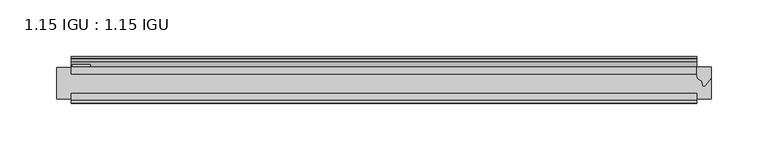
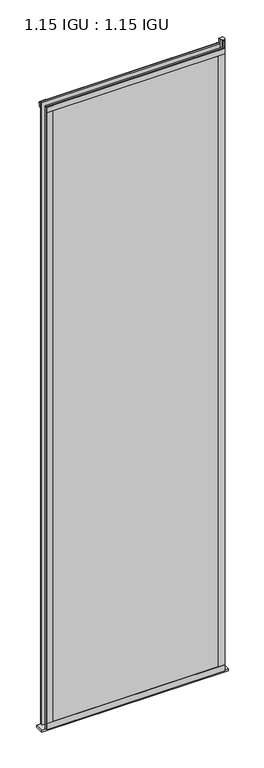
"""IFC4 building model written with IfcOpenShell, lengths in millimetres: plate geometry, 1.15 IGU : 1.15 IGU."""

import ifcopenshell
import ifcopenshell.guid

model = None  # the IFC model being written
_history = None  # IfcOwnerHistory: only IFC2X3 demands one
_inside = {}  # id of a spatial element -> (the spatial element, [elements in it])
_under = {}  # id of a project, library or spatial element -> (it, [spatial elements below it])
_declared = {}  # id of a project -> (the project, [libraries it declares])
_typed = {}  # id of a type object -> (the type object, [elements of that type])
_made_of = {}  # id of a material, layer set ... -> (it, [elements and type objects made of it])


def new_model(schema):
    """Start an empty IFC model of exactly this schema.

    Asked for "IFC4X3", IfcOpenShell would pick the latest addendum, in which some entities
    have other attributes; the version numbers below select the first issue.
    IFC2X3 requires an IfcOwnerHistory on every rooted entity: one is made here for all.
    """
    global model, _history
    if schema == "IFC4X3":
        model = ifcopenshell.file(schema_version=(4, 3, 0, 0))
    else:
        model = ifcopenshell.file(schema=schema)
    _inside.clear()
    _under.clear()
    _declared.clear()
    _typed.clear()
    _made_of.clear()
    _history = None
    if model.schema == "IFC2X3":
        org = make("IfcOrganization", Name="unknown")
        user = make(
            "IfcPersonAndOrganization",
            ThePerson=make("IfcPerson", FamilyName="unknown"),
            TheOrganization=org,
        )
        app = make(
            "IfcApplication",
            ApplicationDeveloper=org,
            Version="unknown",
            ApplicationFullName="unknown",
            ApplicationIdentifier="unknown",
        )
        _history = make(
            "IfcOwnerHistory",
            OwningUser=user,
            OwningApplication=app,
            ChangeAction="ADDED",
            CreationDate=0,
        )
    return model


def make(cls, **values):
    """One entity of the class cls with the attributes given. An attribute that is None is left unset."""
    return model.create_entity(
        cls, **{name: value for name, value in values.items() if value is not None}
    )


def rooted(cls, **values):
    """An entity with a GlobalId (a new one), such as an element, a storey or a relation."""
    return make(cls, GlobalId=ifcopenshell.guid.new(), OwnerHistory=_history, **values)


def si_unit(unit_type, name, prefix=None):
    """IfcSIUnit, for example si_unit("LENGTHUNIT", "METRE", prefix="MILLI")."""
    return make("IfcSIUnit", UnitType=unit_type, Prefix=prefix, Name=name)


def assignment(units):
    """IfcUnitAssignment: the units of a project."""
    return None if units is None else make("IfcUnitAssignment", Units=units)


def point(xyz):
    """IfcCartesianPoint."""
    return None if xyz is None else make("IfcCartesianPoint", Coordinates=xyz)


def direction(xyz):
    """IfcDirection."""
    return None if xyz is None else make("IfcDirection", DirectionRatios=xyz)


def frame(location, z_axis=None, x_axis=None):
    """IfcAxis2Placement3D, a coordinate frame: its origin and axes. An axis left out is left unset."""
    return make(
        "IfcAxis2Placement3D",
        Location=point(location),
        Axis=direction(z_axis),
        RefDirection=direction(x_axis),
    )


def frame_2d(location, x_axis=None):
    """IfcAxis2Placement2D, a coordinate frame in the plane: its origin and x axis."""
    return make(
        "IfcAxis2Placement2D", Location=point(location), RefDirection=direction(x_axis)
    )


def origin():
    """The frame at (0, 0, 0) with its axes left unset."""
    return frame((0.0, 0.0, 0.0))


def place(relative_to, where):
    """IfcLocalPlacement: puts the frame where relative to a parent placement (None: the world)."""
    return make(
        "IfcLocalPlacement", PlacementRelTo=relative_to, RelativePlacement=where
    )


def context(
    kind, dimensions, precision=None, world=None, true_north=None, identifier=None
):
    """IfcGeometricRepresentationContext, for example the 3D "Model" context."""
    return make(
        "IfcGeometricRepresentationContext",
        ContextIdentifier=identifier,
        ContextType=kind,
        CoordinateSpaceDimension=dimensions,
        Precision=precision,
        WorldCoordinateSystem=world,
        TrueNorth=true_north,
    )


def project(units=None, contexts=None):
    """IfcProject with its units and contexts."""
    return rooted(
        "IfcProject",
        Name="project",
        RepresentationContexts=contexts,
        UnitsInContext=assignment(units),
    )


def spatial(cls, under=None, at=None, **own):
    """A site, building, storey or space (cls), placed at a placement, below another one or the project."""
    s = rooted(cls, ObjectPlacement=at, **own)
    if under is not None:
        _under.setdefault(under.id(), (under, []))[1].append(s)
    return s


def polyline(points):
    """IfcPolyline through the points."""
    return make("IfcPolyline", Points=[point(p) for p in points])


def circle_curve(where, radius):
    """IfcCircle in the frame where."""
    return make("IfcCircle", Position=where, Radius=radius)


def trimmed(basis, trim1, trim2, sense, master):
    """IfcTrimmedCurve: the piece of a basis curve between two trims."""
    return make(
        "IfcTrimmedCurve",
        BasisCurve=basis,
        Trim1=trim1,
        Trim2=trim2,
        SenseAgreement=sense,
        MasterRepresentation=master,
    )


def segment(curve, same_sense, transition):
    """IfcCompositeCurveSegment."""
    return make(
        "IfcCompositeCurveSegment",
        Transition=transition,
        SameSense=same_sense,
        ParentCurve=curve,
    )


def composite_curve(segments, self_intersect=None):
    """IfcCompositeCurve: segments joined end to end."""
    return make("IfcCompositeCurve", Segments=segments, SelfIntersect=self_intersect)


def outline(outer, holes=None, kind="AREA"):
    """IfcArbitraryClosedProfileDef: a profile drawn as a closed curve; with holes, ...WithVoids."""
    if holes is None:
        return make("IfcArbitraryClosedProfileDef", ProfileType=kind, OuterCurve=outer)
    return make(
        "IfcArbitraryProfileDefWithVoids",
        ProfileType=kind,
        OuterCurve=outer,
        InnerCurves=holes,
    )


def extrude(swept, where, along, depth):
    """IfcExtrudedAreaSolid: the profile swept, set in the frame where, extruded along a direction by depth."""
    return make(
        "IfcExtrudedAreaSolid",
        SweptArea=swept,
        Position=where,
        ExtrudedDirection=direction(along),
        Depth=depth,
    )


def shape(context_of_items, identifier, shape_type, items):
    """IfcShapeRepresentation: the items that make up one representation, for example the "Body"."""
    return make(
        "IfcShapeRepresentation",
        ContextOfItems=context_of_items,
        RepresentationIdentifier=identifier,
        RepresentationType=shape_type,
        Items=items,
    )


def source(mapping_origin, context_of_items, identifier, shape_type, items):
    """IfcRepresentationMap: a shape defined once, which mapped items show again and again."""
    return make(
        "IfcRepresentationMap",
        MappingOrigin=mapping_origin,
        MappedRepresentation=shape(context_of_items, identifier, shape_type, items),
    )


def transform(
    local_origin,
    x_axis=None,
    y_axis=None,
    z_axis=None,
    scale=None,
    scale2=None,
    scale3=None,
    uniform=True,
):
    """IfcCartesianTransformationOperator3D, or its non-uniform kind. x_axis, y_axis, z_axis: its Axis1, 2, 3."""
    if uniform:
        return make(
            "IfcCartesianTransformationOperator3D",
            Axis1=direction(x_axis),
            Axis2=direction(y_axis),
            LocalOrigin=point(local_origin),
            Scale=scale,
            Axis3=direction(z_axis),
        )
    return make(
        "IfcCartesianTransformationOperator3DnonUniform",
        Axis1=direction(x_axis),
        Axis2=direction(y_axis),
        LocalOrigin=point(local_origin),
        Scale=scale,
        Axis3=direction(z_axis),
        Scale2=scale2,
        Scale3=scale3,
    )


def mapped(mapping_source, mapping_target):
    """IfcMappedItem: shows the shape of a source again, moved by a transform."""
    return make(
        "IfcMappedItem", MappingSource=mapping_source, MappingTarget=mapping_target
    )


def made_of(thing, what):
    """Note that an element or type object is made of a material, layer set ...; save() writes the relation."""
    if what is not None:
        _made_of.setdefault(what.id(), (what, []))[1].append(thing)
    return thing


def element(
    cls,
    number,
    at=None,
    inside=None,
    cuts=None,
    type_object=None,
    material=None,
    context=None,
    identifier="Body",
    shape_type=None,
    held_by="IfcProductDefinitionShape",
    body=None,
    shapes=None,
    **own,
):
    """One element of the class cls, such as IfcWall. Its Tag is "e" and its number.

    at: its placement. inside: the storey or other place that contains it. cuts: it is an
    opening in that element (IfcRelVoidsElement). A single representation is given by context,
    identifier, shape_type and body (its items); several are given by shapes. held_by: the class
    of the entity that holds the representations. save() writes the other relations.
    """
    e = rooted(cls, Tag="e%d" % number, ObjectPlacement=at, **own)
    if body is not None:
        shapes = [shape(context, identifier, shape_type, body)]
    if shapes is not None:
        e.Representation = make(held_by, Representations=shapes)
    if inside is not None:
        _inside.setdefault(inside.id(), (inside, []))[1].append(e)
    if cuts is not None:
        rooted(
            "IfcRelVoidsElement", RelatingBuildingElement=cuts, RelatedOpeningElement=e
        )
    if type_object is not None:
        _typed.setdefault(type_object.id(), (type_object, []))[1].append(e)
    return made_of(e, material)


def aggregate(whole, parts):
    """IfcRelAggregates: a whole, such as a stair, and the parts it consists of."""
    return rooted("IfcRelAggregates", RelatingObject=whole, RelatedObjects=parts)


def save(model, path):
    """Write the relations noted so far, then the file.

    IfcRelAggregates (storeys below a building ...), IfcRelContainedInSpatialStructure (elements
    in a storey), IfcRelDefinesByType, IfcRelAssociatesMaterial and IfcRelDeclares: one each for
    every whole, place, type object, material and project.
    """
    for whole, parts in _under.values():
        aggregate(whole, parts)
    for where, things in _inside.values():
        rooted(
            "IfcRelContainedInSpatialStructure",
            RelatedElements=things,
            RelatingStructure=where,
        )
    for kind, things in _typed.values():
        rooted("IfcRelDefinesByType", RelatedObjects=things, RelatingType=kind)
    for what, things in _made_of.values():
        rooted("IfcRelAssociatesMaterial", RelatedObjects=things, RelatingMaterial=what)
    for by, libraries in _declared.values():
        rooted("IfcRelDeclares", RelatingContext=by, RelatedDefinitions=libraries)
    model.write(path)


def plate_1_15_igu_1_15_igu_e0aab380(model_context):
    return source(origin(), model_context, "Body", "SweptSolid", [
        extrude(outline(polyline([(276.2170252, 0.0), (276.2170252, -6.2992), (-276.2170252, -6.2992), (-276.2170252, 0.0), (276.2170252, 0.0)])), frame((0.0, 0.0, -19.05), z_axis=(0.0, 0.0, 1.0), x_axis=(1.0, 0.0, 0.0)), (0.0, 0.0, 1.0), 2036.7498001),
        extrude(outline(polyline([(-276.2170252, -23.1648), (276.2170252, -23.1648), (276.2170252, -29.464), (-276.2170252, -29.464), (-276.2170252, -23.1648)])), frame((0.0, 0.0, -19.05), z_axis=(0.0, 0.0, 1.0), x_axis=(1.0, 0.0, 0.0)), (0.0, 0.0, 1.0), 2036.7498001),
        extrude(outline(composite_curve([segment(trimmed(circle_curve(frame_2d((10.9021792, -22.6833935)), 11.4916952), [point((0.0, -19.05))], [point((-0.2638007, -25.4))], True, "CARTESIAN"), True, "CONTINUOUS"), segment(polyline([(-0.2638007, -25.4), (-27.9952564, -25.4), (-27.9952564, -19.05), (0.0, -19.05)]), True, "CONTINUOUS")], self_intersect=False)), frame((-288.9170252, 0.0, 0.0), z_axis=(1.0, 0.0, 0.0), x_axis=(0.0, 1.0, 0.0)), (0.0, 0.0, 1.0), 577.8340504),
        extrude(outline(composite_curve([segment(polyline([(288.9170252, 0.0), (288.9170252, -9.7395025), (283.3507943, -16.3730781)]), True, "CONTINUOUS"), segment(trimmed(circle_curve(frame_2d((282.3971193, -15.7728374)), 1.1268473), [point((283.3507943, -16.3730781))], [point((281.2961664, -16.0130197))], False, "CARTESIAN"), True, "CONTINUOUS"), segment(polyline([(281.2961664, -16.0130197), (280.3159749, -11.7377885)]), True, "CONTINUOUS"), segment(trimmed(circle_curve(frame_2d((280.1885231, -7.7683362)), 3.9714979), [point((280.3159749, -11.7377885))], [point((276.2172038, -7.8060014))], False, "CARTESIAN"), True, "CONTINUOUS"), segment(polyline([(276.2172038, -7.8060014), (276.2172038, 0.0), (288.9170252, 0.0)]), True, "CONTINUOUS")], self_intersect=False)), frame((0.0, 0.0, -19.05), z_axis=(0.0, 0.0, 1.0), x_axis=(1.0, 0.0, 0.0)), (0.0, 0.0, 1.0), 2051.8374001),
        extrude(outline(polyline([(-276.2170252, -31.75), (-276.2170252, -29.464), (276.2170252, -29.464), (276.2170252, -31.75), (-276.2170252, -31.75)])), frame((0.0, 0.0, -19.05), z_axis=(0.0, 0.0, 1.0), x_axis=(1.0, 0.0, 0.0)), (0.0, 0.0, 1.0), 19.05),
        extrude(outline(composite_curve([segment(trimmed(circle_curve(frame_2d((-23.3689302, 2041.8664901)), 40.3187601), [point((0.0, 2009.0108131))], [point((4.9746073, 2013.1916528))], True, "CARTESIAN"), True, "CONTINUOUS"), segment(trimmed(circle_curve(frame_2d((5.8674, 2012.2884246)), 1.27), [point((4.9746073, 2013.1916528))], [point((7.1374, 2012.2884246))], False, "CARTESIAN"), True, "CONTINUOUS"), segment(polyline([(7.1374, 2012.2884246), (7.1374, 2007.8876169), (7.7309478, 2005.6724663), (6.35, 2005.4379789), (6.35, 2000.2500001), (9.3980339, 2000.2500001), (9.3980339, 1998.8684051)]), True, "CONTINUOUS"), segment(trimmed(circle_curve(frame_2d((13.6593785, 1967.8551528)), 31.3046461), [point((9.3980339, 1998.8684051))], [point((0.0, 1996.0225498))], True, "CARTESIAN"), True, "CONTINUOUS"), segment(polyline([(0.0, 1996.0225498), (0.0, 2009.0108131)]), True, "CONTINUOUS")], self_intersect=False)), frame((-276.2170252, 0.0, 0.0), z_axis=(1.0, 0.0, 0.0), x_axis=(0.0, 1.0, 0.0)), (0.0, 0.0, 1.0), 552.4340504),
        extrude(outline(polyline([(-276.2170252, -31.75), (-276.2170252, -29.464), (276.2170252, -29.464), (276.2170252, -31.75), (-276.2170252, -31.75)])), frame((0.0, 0.0, 2000.2500001), z_axis=(0.0, 0.0, 1.0), x_axis=(1.0, 0.0, 0.0)), (0.0, 0.0, 1.0), 19.05),
        extrude(outline(polyline([(257.1670252, -29.464), (276.2170252, -29.464), (276.2170252, -31.75), (257.1670252, -31.75), (257.1670252, -29.464)])), frame((0.0, 0.0, -19.05), z_axis=(0.0, 0.0, 1.0), x_axis=(1.0, 0.0, 0.0)), (0.0, 0.0, 1.0), 2036.7498001),
        extrude(outline(polyline([(-276.2170252, -31.75), (-276.2170252, -29.464), (-257.1670252, -29.464), (-257.1670252, -31.75), (-276.2170252, -31.75)])), frame((0.0, 0.0, -19.05), z_axis=(0.0, 0.0, 1.0), x_axis=(1.0, 0.0, 0.0)), (0.0, 0.0, 1.0), 2036.7498001),
        extrude(outline(polyline([(-275.0105252, 0.0), (-275.0105252, 2.286), (-259.1355252, 2.286), (-259.1355252, 0.0), (-275.0105252, 0.0)])), frame((0.0, 0.0, -19.05), z_axis=(0.0, 0.0, 1.0), x_axis=(1.0, 0.0, 0.0)), (0.0, 0.0, 1.0), 2036.7498001),
    ])


if __name__ == "__main__":
    model = new_model("IFC4")
    model_context = context("Model", 3, world=origin())
    ifc_project = project(units=[si_unit("LENGTHUNIT", "METRE", prefix="MILLI")], contexts=[model_context])
    site = spatial("IfcSite", under=ifc_project)
    building = spatial("IfcBuilding", under=site)
    placement = place(None, origin())
    plate_1_15_igu_1_15_igu_shape = plate_1_15_igu_1_15_igu_e0aab380(model_context)
    element("IfcPlate", 1, ObjectType="1.15 IGU : 1.15 IGU", at=placement, inside=building, context=model_context, shape_type="MappedRepresentation", body=[
        mapped(plate_1_15_igu_1_15_igu_shape, transform((0.0, 0.0, 0.0), x_axis=(1.0, 0.0, 0.0), y_axis=(0.0, 1.0, 0.0), z_axis=(0.0, 0.0, 1.0))),
    ])
    save(model, "model.ifc")
